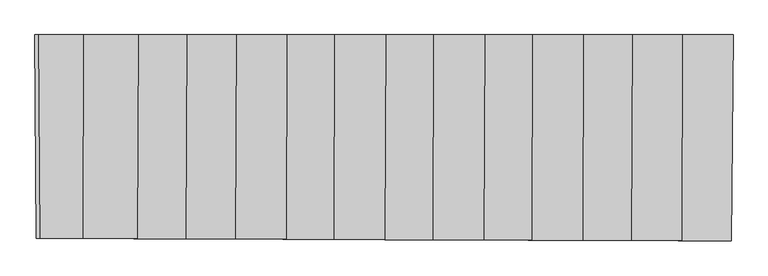
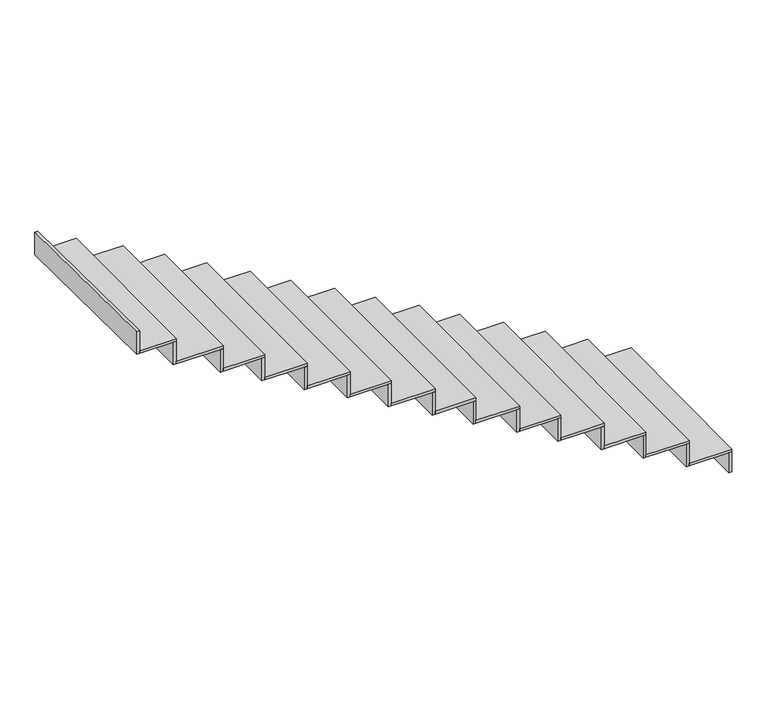
"""IFC4 building model written with IfcOpenShell, lengths in millimetres: stair flight geometry."""

from ifc_helpers import new_model, si_unit, frame, origin, place, context, project, spatial, polyline, outline, extrude, source, transform, mapped, element, save


def stair_flight_88e91c7d(model_context):
    return source(origin(), model_context, "Body", "SweptSolid", [
        extrude(outline(polyline([(42195.2585094, 1855.493569), (42215.2592901, 1855.493569), (42204.5694454, 645.7210162), (42184.5692816, 645.7908417), (42195.2585094, 1855.493569)])), frame((0.0, 0.0, -2416.5), z_axis=(0.0, 0.0, 1.0), x_axis=(1.0, 0.0, 0.0)), (0.0, 0.0, 1.0), 143.5197413),
        extrude(outline(polyline([(41913.1696344, 646.7383653), (41917.4560961, 1855.493569), (42215.2592901, 1855.493569), (42204.5694454, 645.7210162), (41913.1696344, 646.7383653)])), frame((0.0, 0.0, -2272.9802587), z_axis=(0.0, 0.0, 1.0), x_axis=(1.0, 0.0, 0.0)), (0.0, 0.0, 1.0), 20.0),
        extrude(outline(polyline([(41897.4559703, 1855.493569), (41917.4560961, 1855.493569), (41913.1696344, 646.7383653), (41893.1697563, 646.8081898), (41897.4559703, 1855.493569)])), frame((0.0, 0.0, -2272.9802587), z_axis=(0.0, 0.0, 1.0), x_axis=(1.0, 0.0, 0.0)), (0.0, 0.0, 1.0), 163.5197413),
        extrude(outline(polyline([(41618.1715261, 647.768277), (41622.4543355, 1855.493569), (41917.4560961, 1855.493569), (41913.1696344, 646.7383653), (41618.1715261, 647.768277)])), frame((0.0, 0.0, -2109.4605175), z_axis=(0.0, 0.0, 1.0), x_axis=(1.0, 0.0, 0.0)), (0.0, 0.0, 1.0), 20.0),
        extrude(outline(polyline([(41602.4542098, 1855.493569), (41622.4543355, 1855.493569), (41618.1715261, 647.768277), (41598.171648, 647.8381015), (41602.4542098, 1855.493569)])), frame((0.0, 0.0, -2109.4605175), z_axis=(0.0, 0.0, 1.0), x_axis=(1.0, 0.0, 0.0)), (0.0, 0.0, 1.0), 163.5197413),
        extrude(outline(polyline([(41333.173294, 648.7632767), (41337.452575, 1855.493569), (41622.4543355, 1855.493569), (41618.1715261, 647.768277), (41333.173294, 648.7632767)])), frame((0.0, 0.0, -1945.9407762), z_axis=(0.0, 0.0, 1.0), x_axis=(1.0, 0.0, 0.0)), (0.0, 0.0, 1.0), 20.0),
        extrude(outline(polyline([(41317.4524492, 1855.493569), (41337.452575, 1855.493569), (41333.173294, 648.7632767), (41313.1734159, 648.8331012), (41317.4524492, 1855.493569)])), frame((0.0, 0.0, -1945.9407762), z_axis=(0.0, 0.0, 1.0), x_axis=(1.0, 0.0, 0.0)), (0.0, 0.0, 1.0), 163.5197413),
        extrude(outline(polyline([(41033.1751219, 649.8106448), (41037.4506887, 1855.493569), (41337.452575, 1855.493569), (41333.173294, 648.7632767), (41033.1751219, 649.8106448)])), frame((0.0, 0.0, -1782.421035), z_axis=(0.0, 0.0, 1.0), x_axis=(1.0, 0.0, 0.0)), (0.0, 0.0, 1.0), 20.0),
        extrude(outline(polyline([(41017.4505629, 1855.493569), (41037.4506887, 1855.493569), (41033.1751219, 649.8106448), (41013.1752437, 649.8804694), (41017.4505629, 1855.493569)])), frame((0.0, 0.0, -1782.421035), z_axis=(0.0, 0.0, 1.0), x_axis=(1.0, 0.0, 0.0)), (0.0, 0.0, 1.0), 163.5197413),
        extrude(outline(polyline([(40753.1768279, 650.7881884), (40757.4489281, 1855.493569), (41037.4506887, 1855.493569), (41033.1751219, 649.8106448), (40753.1768279, 650.7881884)])), frame((0.0, 0.0, -1618.9012937), z_axis=(0.0, 0.0, 1.0), x_axis=(1.0, 0.0, 0.0)), (0.0, 0.0, 1.0), 20.0),
        extrude(outline(polyline([(40737.4488024, 1855.493569), (40757.4489281, 1855.493569), (40753.1768279, 650.7881884), (40733.1769497, 650.858013), (40737.4488024, 1855.493569)])), frame((0.0, 0.0, -1618.9012937), z_axis=(0.0, 0.0, 1.0), x_axis=(1.0, 0.0, 0.0)), (0.0, 0.0, 1.0), 163.5197413),
        extrude(outline(polyline([(40453.1786557, 651.8355566), (40457.4470418, 1855.493569), (40757.4489281, 1855.493569), (40753.1768279, 650.7881884), (40453.1786557, 651.8355566)])), frame((0.0, 0.0, -1455.3815524), z_axis=(0.0, 0.0, 1.0), x_axis=(1.0, 0.0, 0.0)), (0.0, 0.0, 1.0), 20.0),
        extrude(outline(polyline([(40437.4469161, 1855.493569), (40457.4470418, 1855.493569), (40453.1786557, 651.8355566), (40433.1787776, 651.9053811), (40437.4469161, 1855.493569)])), frame((0.0, 0.0, -1455.3815524), z_axis=(0.0, 0.0, 1.0), x_axis=(1.0, 0.0, 0.0)), (0.0, 0.0, 1.0), 163.5197413),
        extrude(outline(polyline([(40173.1803617, 652.8131002), (40177.4452813, 1855.493569), (40457.4470418, 1855.493569), (40453.1786557, 651.8355566), (40173.1803617, 652.8131002)])), frame((0.0, 0.0, -1291.8618112), z_axis=(0.0, 0.0, 1.0), x_axis=(1.0, 0.0, 0.0)), (0.0, 0.0, 1.0), 20.0),
        extrude(outline(polyline([(40157.4451555, 1855.493569), (40177.4452813, 1855.493569), (40173.1803617, 652.8131002), (40153.1804836, 652.8829248), (40157.4451555, 1855.493569)])), frame((0.0, 0.0, -1291.8618112), z_axis=(0.0, 0.0, 1.0), x_axis=(1.0, 0.0, 0.0)), (0.0, 0.0, 1.0), 163.5197413),
        extrude(outline(polyline([(39873.1821896, 653.8604684), (39877.443395, 1855.493569), (40177.4452813, 1855.493569), (40173.1803617, 652.8131002), (39873.1821896, 653.8604684)])), frame((0.0, 0.0, -1128.3420699), z_axis=(0.0, 0.0, 1.0), x_axis=(1.0, 0.0, 0.0)), (0.0, 0.0, 1.0), 20.0),
        extrude(outline(polyline([(39857.4432692, 1855.493569), (39877.443395, 1855.493569), (39873.1821896, 653.8604684), (39853.1823114, 653.9302929), (39857.4432692, 1855.493569)])), frame((0.0, 0.0, -1128.3420699), z_axis=(0.0, 0.0, 1.0), x_axis=(1.0, 0.0, 0.0)), (0.0, 0.0, 1.0), 163.5197413),
        extrude(outline(polyline([(39593.1838956, 654.838012), (39597.4416344, 1855.493569), (39877.443395, 1855.493569), (39873.1821896, 653.8604684), (39593.1838956, 654.838012)])), frame((0.0, 0.0, -964.8223286), z_axis=(0.0, 0.0, 1.0), x_axis=(1.0, 0.0, 0.0)), (0.0, 0.0, 1.0), 20.0),
        extrude(outline(polyline([(39577.4415087, 1855.493569), (39597.4416344, 1855.493569), (39593.1838956, 654.838012), (39573.1840174, 654.9078366), (39577.4415087, 1855.493569)])), frame((0.0, 0.0, -964.8223286), z_axis=(0.0, 0.0, 1.0), x_axis=(1.0, 0.0, 0.0)), (0.0, 0.0, 1.0), 163.5197413),
        extrude(outline(polyline([(39296.0995559, 655.8752073), (39300.3536167, 1855.493569), (39597.4416344, 1855.493569), (39593.1838956, 654.838012), (39296.0995559, 655.8752073)])), frame((0.0, 0.0, -801.3025874), z_axis=(0.0, 0.0, 1.0), x_axis=(1.0, 0.0, 0.0)), (0.0, 0.0, 1.0), 20.0),
        extrude(outline(polyline([(39280.3534909, 1855.493569), (39300.3536167, 1855.493569), (39296.0995559, 655.8752073), (39276.0996778, 655.9450318), (39280.3534909, 1855.493569)])), frame((0.0, 0.0, -801.3025874), z_axis=(0.0, 0.0, 1.0), x_axis=(1.0, 0.0, 0.0)), (0.0, 0.0, 1.0), 163.5197413),
        extrude(outline(polyline([(39006.0167024, 656.8879586), (39010.2671718, 1855.493569), (39300.3536167, 1855.493569), (39296.0995559, 655.8752073), (39006.0167024, 656.8879586)])), frame((0.0, 0.0, -637.7828461), z_axis=(0.0, 0.0, 1.0), x_axis=(1.0, 0.0, 0.0)), (0.0, 0.0, 1.0), 20.0),
        extrude(outline(polyline([(38990.2670461, 1855.493569), (39010.2671718, 1855.493569), (39006.0167024, 656.8879586), (38986.0168243, 656.9577831), (38990.2670461, 1855.493569)])), frame((0.0, 0.0, -637.7828461), z_axis=(0.0, 0.0, 1.0), x_axis=(1.0, 0.0, 0.0)), (0.0, 0.0, 1.0), 163.5197413),
        extrude(outline(polyline([(38721.0184389, 657.8829583), (38725.2653798, 1855.493569), (39010.2671718, 1855.493569), (39006.0167024, 656.8879586), (38721.0184389, 657.8829583)])), frame((0.0, 0.0, -474.2631049), z_axis=(0.0, 0.0, 1.0), x_axis=(1.0, 0.0, 0.0)), (0.0, 0.0, 1.0), 20.0),
        extrude(outline(polyline([(38705.2652541, 1855.493569), (38725.2653798, 1855.493569), (38721.0184389, 657.8829583), (38701.0185608, 657.9527829), (38705.2652541, 1855.493569)])), frame((0.0, 0.0, -474.2631049), z_axis=(0.0, 0.0, 1.0), x_axis=(1.0, 0.0, 0.0)), (0.0, 0.0, 1.0), 163.5197413),
        extrude(outline(polyline([(38401.0205772, 659.0001504), (38405.2635564, 1855.493569), (38725.2653798, 1855.493569), (38721.0184389, 657.8829583), (38401.0205772, 659.0001504)])), frame((0.0, 0.0, -310.7433636), z_axis=(0.0, 0.0, 1.0), x_axis=(1.0, 0.0, 0.0)), (0.0, 0.0, 1.0), 20.0),
        extrude(outline(polyline([(38385.2634306, 1855.493569), (38405.2635564, 1855.493569), (38401.0205772, 659.0001504), (38381.0206991, 659.0699749), (38385.2634306, 1855.493569)])), frame((0.0, 0.0, -310.7433636), z_axis=(0.0, 0.0, 1.0), x_axis=(1.0, 0.0, 0.0)), (0.0, 0.0, 1.0), 163.5197413),
        extrude(outline(polyline([(38120.2842173, 1855.493569), (38140.2848179, 1855.493569), (38149.5508443, 659.8780937), (38129.5497025, 659.9479227), (38120.2842173, 1855.493569)])), frame((0.0, 0.0, -147.2236223), z_axis=(0.0, 0.0, 1.0), x_axis=(1.0, 0.0, 0.0)), (0.0, 0.0, 1.0), 163.5197413),
        extrude(outline(polyline([(38149.5508443, 659.8780937), (38140.2848179, 1855.493569), (38405.2635564, 1855.493569), (38401.0205772, 659.0001504), (38149.5508443, 659.8780937)])), frame((0.0, 0.0, -147.2236223), z_axis=(0.0, 0.0, 1.0), x_axis=(1.0, 0.0, 0.0)), (0.0, 0.0, 1.0), 20.0),
    ])


if __name__ == "__main__":
    model = new_model("IFC4")
    model_context = context("Model", 3, world=origin())
    ifc_project = project(units=[si_unit("LENGTHUNIT", "METRE", prefix="MILLI")], contexts=[model_context])
    site = spatial("IfcSite", under=ifc_project)
    building = spatial("IfcBuilding", under=site)
    placement = place(None, origin())
    stair_flight_shape = stair_flight_88e91c7d(model_context)
    element("IfcStairFlight", 1, at=placement, inside=building, context=model_context, shape_type="MappedRepresentation", body=[
        mapped(stair_flight_shape, transform((0.0, 0.0, 0.0), x_axis=(1.0, 0.0, 0.0), y_axis=(0.0, 1.0, 0.0), z_axis=(0.0, 0.0, 1.0))),
    ])
    save(model, "model.ifc")
